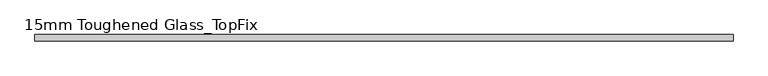
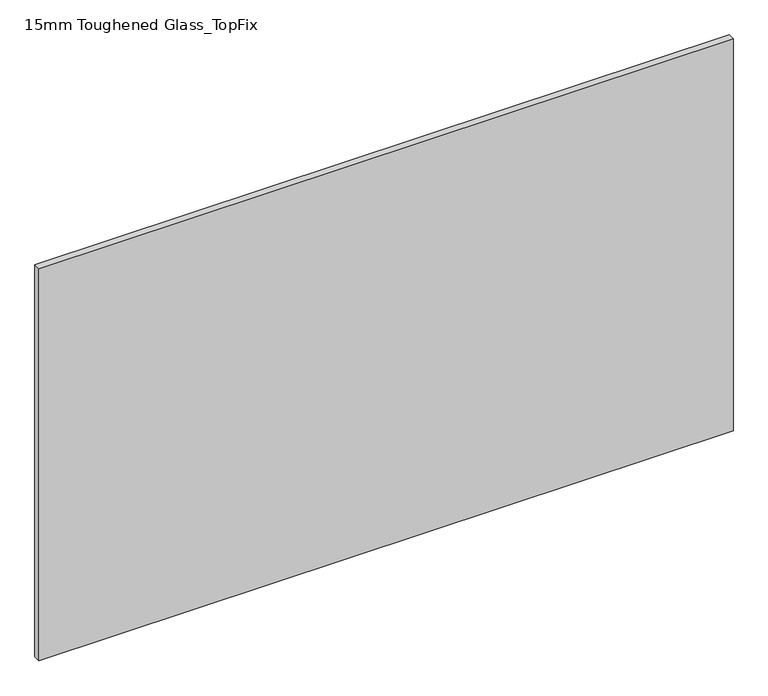
"""IFC4 building model written with IfcOpenShell, lengths in millimetres: plate geometry, 15mm Toughened Glass_TopFix."""

from ifc_helpers import new_model, si_unit, origin, origin_with_axes, place, context, project, spatial, polyline, outline, extrude, source, transform, mapped, element, save


def plate_15mm_toughened_glass_topfix_991c6541(model_context):
    return source(origin(), model_context, "Body", "SweptSolid", [
        extrude(outline(polyline([(795.0000001, 7.5), (795.0000001, -7.5), (-795.0000001, -7.5), (-795.0000001, 7.5), (795.0000001, 7.5)])), origin_with_axes(), (0.0, 0.0, 1.0), 949.0),
    ])


if __name__ == "__main__":
    model = new_model("IFC4")
    model_context = context("Model", 3, world=origin())
    ifc_project = project(units=[si_unit("LENGTHUNIT", "METRE", prefix="MILLI")], contexts=[model_context])
    site = spatial("IfcSite", under=ifc_project)
    building = spatial("IfcBuilding", under=site)
    placement = place(None, origin())
    plate_15mm_toughened_glass_topfix_shape = plate_15mm_toughened_glass_topfix_991c6541(model_context)
    element("IfcPlate", 1, ObjectType="15mm Toughened Glass_TopFix", at=placement, inside=building, context=model_context, shape_type="MappedRepresentation", body=[
        mapped(plate_15mm_toughened_glass_topfix_shape, transform((0.0, 0.0, 0.0), x_axis=(1.0, 0.0, 0.0), y_axis=(0.0, 1.0, 0.0), z_axis=(0.0, 0.0, 1.0))),
    ])
    save(model, "model.ifc")
